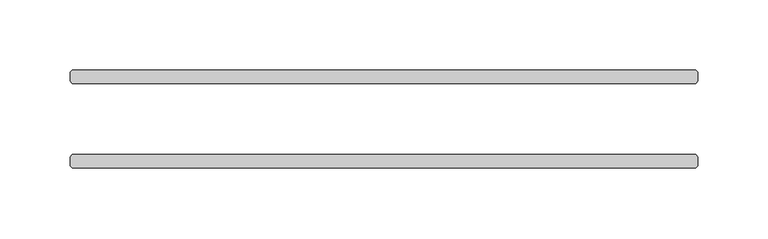
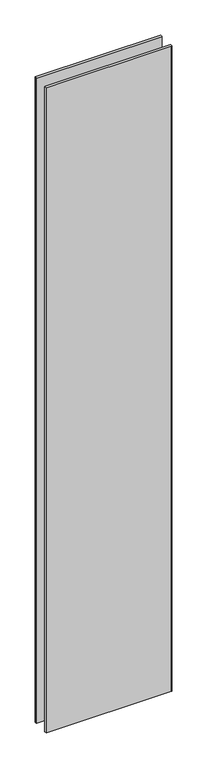
"""IFC4 building model written with IfcOpenShell, lengths in millimetres: plate geometry."""

from ifc_helpers import new_model, si_unit, origin, origin_with_axes, place, context, project, spatial, polyline, outline, extrude, source, transform, mapped, element, save


def plate_09e123d5(model_context):
    return source(origin(), model_context, "Body", "SweptSolid", [
        extrude(outline(polyline([(221.853125, 25.4), (-221.853125, 25.4), (-223.440625, 26.9875), (-223.440625, 33.3375), (-221.853125, 34.925), (221.853125, 34.925), (223.440625, 33.3375), (223.440625, 26.9875), (221.853125, 25.4)])), origin_with_axes(), (0.0, 0.0, 1.0), 2417.7625023),
        extrude(outline(polyline([(221.853125, -34.925), (-221.853125, -34.925), (-223.440625, -33.3375), (-223.440625, -26.9875), (-221.853125, -25.4), (221.853125, -25.4), (223.440625, -26.9875), (223.440625, -33.3375), (221.853125, -34.925)])), origin_with_axes(), (0.0, 0.0, 1.0), 2417.7625023),
    ])


if __name__ == "__main__":
    model = new_model("IFC4")
    model_context = context("Model", 3, world=origin())
    ifc_project = project(units=[si_unit("LENGTHUNIT", "METRE", prefix="MILLI")], contexts=[model_context])
    site = spatial("IfcSite", under=ifc_project)
    building = spatial("IfcBuilding", under=site)
    placement = place(None, origin())
    plate_shape = plate_09e123d5(model_context)
    element("IfcPlate", 1, at=placement, inside=building, context=model_context, shape_type="MappedRepresentation", body=[
        mapped(plate_shape, transform((0.0, 0.0, 0.0), x_axis=(1.0, 0.0, 0.0), y_axis=(0.0, 1.0, 0.0), z_axis=(0.0, 0.0, 1.0))),
    ])
    save(model, "model.ifc")
